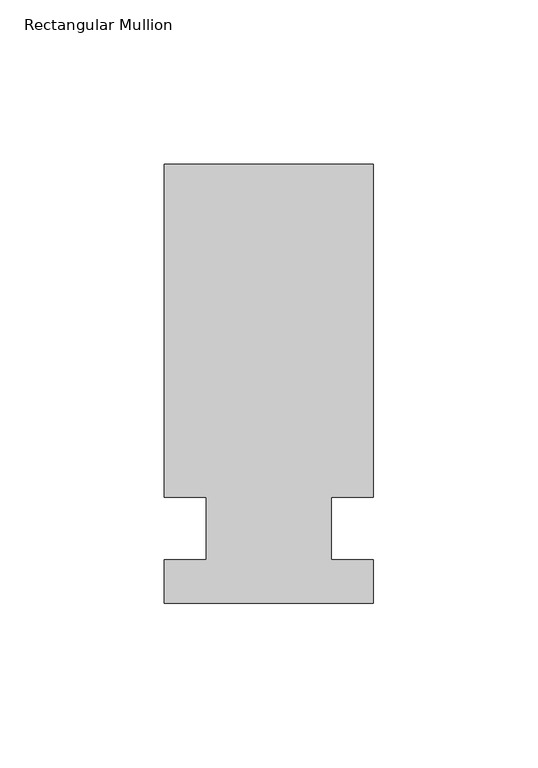
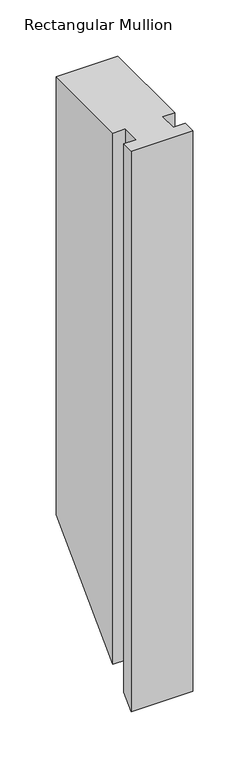
"""IFC4 building model written with IfcOpenShell, lengths in millimetres: member geometry, Rectangular Mullion."""

from ifc_helpers import new_model, si_unit, origin, place, context, project, spatial, faceted_brep, source, transform, mapped, element, save


def rectangular_mullion_075cf483(model_context):
    return source(origin(), model_context, "Body", "Brep", [
        faceted_brep([(-63.5, 133.4396937, 0.0), (-63.5, 32.2460937, 0.0), (-50.8, 32.2460937, 0.0), (-50.8, 13.1960937, 0.0), (-63.5, 13.1960937, 0.0), (-63.5, 0.0134937, 0.0), (0.0, 0.0134937, 0.0), (0.0, 13.1960937, 0.0), (-12.7, 13.1960937, 0.0), (-12.7, 32.2460937, 0.0), (0.0, 32.2460937, 0.0), (0.0, 133.4396937, 0.0), (-63.5, 133.4396937, -476.1603063), (-63.5, 32.2460938, -577.3539062), (-50.8, 32.2460937, -577.3539062), (-50.8, 13.1960937, -596.4039063), (-63.5, 13.1960937, -596.4039063), (-63.5, 0.0134937, -609.5865063), (0.0, 0.0134937, -609.5865063), (0.0, 13.1960937, -596.4039063), (-12.7, 13.1960937, -596.4039063), (-12.7, 32.2460937, -577.3539062), (0.0, 32.2460937, -577.3539062), (0.0, 133.4396937, -476.1603063)], [[[0, 1, 2, 3, 4, 5, 6, 7, 8, 9, 10, 11]], [[1, 0, 12, 13]], [[2, 1, 13, 14]], [[3, 2, 14, 15]], [[4, 3, 15, 16]], [[5, 4, 16, 17]], [[6, 5, 17, 18]], [[7, 6, 18, 19]], [[8, 7, 19, 20]], [[9, 8, 20, 21]], [[10, 9, 21, 22]], [[11, 10, 22, 23]], [[0, 11, 23, 12]], [[12, 23, 22, 21, 20, 19, 18, 17, 16, 15, 14, 13]]]),
    ])


if __name__ == "__main__":
    model = new_model("IFC4")
    model_context = context("Model", 3, world=origin())
    ifc_project = project(units=[si_unit("LENGTHUNIT", "METRE", prefix="MILLI")], contexts=[model_context])
    site = spatial("IfcSite", under=ifc_project)
    building = spatial("IfcBuilding", under=site)
    placement = place(None, origin())
    rectangular_mullion_shape = rectangular_mullion_075cf483(model_context)
    element("IfcMember", 1, ObjectType="Rectangular Mullion", at=placement, inside=building, context=model_context, shape_type="MappedRepresentation", body=[
        mapped(rectangular_mullion_shape, transform((0.0, 0.0, 0.0), x_axis=(1.0, 0.0, 0.0), y_axis=(0.0, 1.0, 0.0), z_axis=(0.0, 0.0, 1.0))),
    ])
    save(model, "model.ifc")
